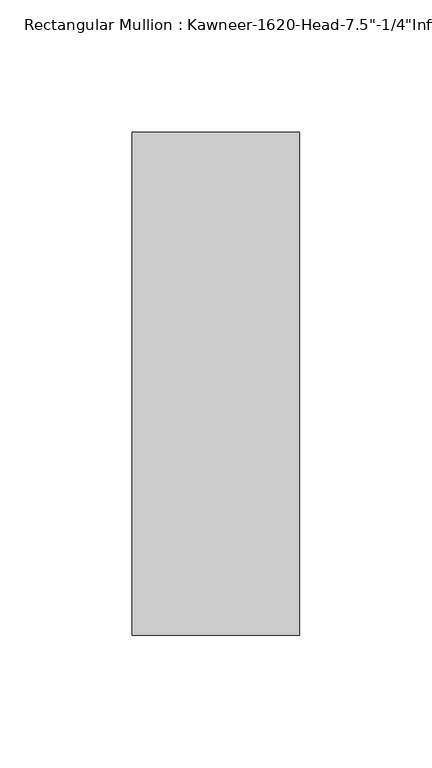
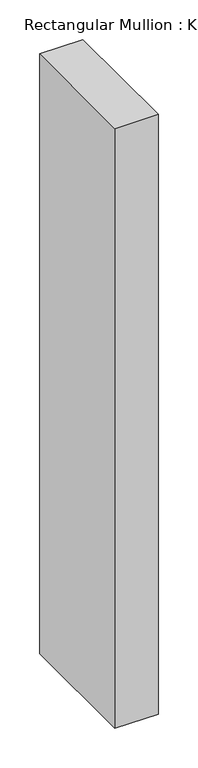
"""IFC4 building model written with IfcOpenShell, lengths in millimetres: member geometry."""

from ifc_helpers import new_model, si_unit, frame, origin, place, context, project, spatial, polyline, outline, extrude, source, transform, mapped, element, save


def member_f99c07ad(model_context):
    return source(origin(), model_context, "Body", "SweptSolid", [
        extrude(outline(polyline([(-22.225, 28.575), (41.275, 28.575), (41.275, -161.925), (-22.225, -161.925), (-22.225, 28.575)])), frame((0.0, 0.0, -926.2317631), z_axis=(0.0, 0.0, 1.0), x_axis=(1.0, 0.0, 0.0)), (0.0, 0.0, 1.0), 926.2317631),
    ])


if __name__ == "__main__":
    model = new_model("IFC4")
    model_context = context("Model", 3, world=origin())
    ifc_project = project(units=[si_unit("LENGTHUNIT", "METRE", prefix="MILLI")], contexts=[model_context])
    site = spatial("IfcSite", under=ifc_project)
    building = spatial("IfcBuilding", under=site)
    placement = place(None, origin())
    member_shape = member_f99c07ad(model_context)
    element("IfcMember", 1, ObjectType="Rectangular Mullion : Kawneer-1620-Head-7.5\"-1/4\"Infill-1C", at=placement, inside=building, context=model_context, shape_type="MappedRepresentation", body=[
        mapped(member_shape, transform((0.0, 0.0, 0.0), x_axis=(1.0, 0.0, 0.0), y_axis=(0.0, 1.0, 0.0), z_axis=(0.0, 0.0, 1.0))),
    ])
    save(model, "model.ifc")
